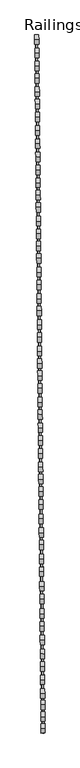
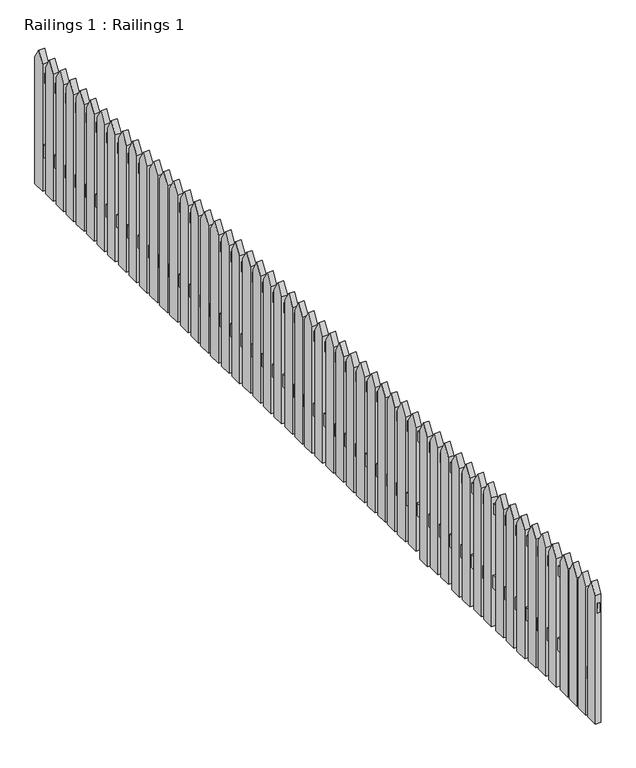
"""IFC4 building model written with IfcOpenShell, lengths in millimetres: railing geometry, Railings 1 : Railings 1."""

from ifc_helpers import new_model, si_unit, frame, origin, place, context, project, spatial, polyline, outline, extrude, source, transform, mapped, element, save


def railings_1_railings_1_c93a0744(model_context):
    return source(origin(), model_context, "Body", "SweptSolid", [
        extrude(outline(polyline([(0.0, -5447.0448144), (0.0, 0.0), (16.4964203, 0.0), (16.4964203, -5447.0448145), (0.0, -5447.0448144)])), frame((-32807.4456706, 57610.0910896, 108227.5959624), z_axis=(-7.934803674782353e-05, 0.008653490793528475, 0.9999625546994124), x_axis=(0.9999579629415489, 0.009169097544900936, 0.0)), (0.0, 0.0, 1.0), 76.7844315),
        extrude(outline(polyline([(-1e-07, -5464.4974055), (0.0, 0.0), (13.2249615, 0.0), (13.2249616, -5464.4974055), (-1e-07, -5464.4974055)])), frame((-32803.875912, 57597.3873123, 108679.6077958), z_axis=(-8.199758056208687e-05, 0.008942443160013025, 0.9999600121938511), x_axis=(0.9999579629415478, 0.009169097545024867, 0.0)), (0.0, 0.0, 1.0), 58.7537503),
        extrude(outline(polyline([(0.0, 0.0), (74.6912054, 0.0), (74.6912054, -777.4778185), (35.5672407, -840.3131584), (0.0, -775.9277211), (0.0, 0.0)])), frame((-32797.0634259, 55700.7710358, 108019.7391803), z_axis=(0.999957962941548, 0.009169097544998428, 0.0), x_axis=(0.009169097544998428, -0.999957962941548, 0.0)), (0.0, 0.0, 1.0), 32.2313179),
        extrude(outline(polyline([(179.2775039, -5.0), (179.2775039, -775.9277211), (143.7102632, -840.3131584), (104.5862984, -777.4778185), (104.5862984, -5.0), (179.2775039, -5.0)])), frame((-32797.0634259, 55700.7710358, 108019.7391803), z_axis=(0.999957962941548, 0.009169097544998428, 0.0), x_axis=(0.009169097544998428, -0.999957962941548, 0.0)), (0.0, 0.0, 1.0), 32.2313179),
        extrude(outline(polyline([(-29.5909941, 0.0), (-29.5909941, -775.9277211), (-65.1582349, -840.3131584), (-104.2821995, -777.4778185), (-104.2821995, 0.0), (-29.5909941, 0.0)])), frame((-32797.0634259, 55700.7710358, 108019.7391803), z_axis=(0.999957962941548, 0.009169097544998428, 0.0), x_axis=(0.009169097544998428, -0.999957962941548, 0.0)), (0.0, 0.0, 1.0), 32.2313179),
        extrude(outline(polyline([(-208.8684979, 0.0), (-134.1772925, 0.0), (-134.1772925, -777.4778185), (-173.3012573, -840.3131584), (-208.8684979, -775.9277211), (-208.8684979, 0.0)])), frame((-32797.0634259, 55700.7710358, 108019.7391803), z_axis=(0.999957962941548, 0.009169097544998428, 0.0), x_axis=(0.009169097544998428, -0.999957962941548, 0.0)), (0.0, 0.0, 1.0), 32.2313179),
        extrude(outline(polyline([(-431.7577701, -5.0), (-431.7577701, -775.9277211), (-467.3250108, -840.3131584), (-506.4489755, -777.4778185), (-506.4489755, -5.0), (-431.7577701, -5.0)])), frame((-32797.0634259, 55700.7710358, 108019.7391803), z_axis=(0.999957962941548, 0.009169097544998428, 0.0), x_axis=(0.009169097544998428, -0.999957962941548, 0.0)), (0.0, 0.0, 1.0), 32.2313179),
        extrude(outline(polyline([(-611.0352739, -5.0), (-536.3440685, -5.0), (-536.3440685, -777.4778185), (-575.4680333, -840.3131584), (-611.0352739, -775.9277211), (-611.0352739, -5.0)])), frame((-32797.0634259, 55700.7710358, 108019.7391803), z_axis=(0.999957962941548, 0.009169097544998428, 0.0), x_axis=(0.009169097544998428, -0.999957962941548, 0.0)), (0.0, 0.0, 1.0), 32.2313179),
        extrude(outline(polyline([(-402.1667759, -5.0), (-327.4755705, -5.0), (-327.4755705, -777.4778185), (-366.5995353, -840.3131584), (-402.1667759, -775.9277211), (-402.1667759, -5.0)])), frame((-32797.0634259, 55700.7710358, 108019.7391803), z_axis=(0.999957962941548, 0.009169097544998428, 0.0), x_axis=(0.009169097544998428, -0.999957962941548, 0.0)), (0.0, 0.0, 1.0), 32.2313179),
        extrude(outline(polyline([(-232.8892721, 0.0), (-232.8892721, -775.9277211), (-268.4565128, -840.3131584), (-307.5804776, -777.4778185), (-307.5804776, 0.0), (-232.8892721, 0.0)])), frame((-32797.0634259, 55700.7710358, 108019.7391803), z_axis=(0.999957962941548, 0.009169097544998428, 0.0), x_axis=(0.009169097544998428, -0.999957962941548, 0.0)), (0.0, 0.0, 1.0), 32.2313179),
        extrude(outline(polyline([(-635.2129228, -5.0), (-635.2129228, -775.9277211), (-670.7801634, -840.3131584), (-709.9041282, -777.4778185), (-709.9041282, -5.0), (-635.2129228, -5.0)])), frame((-32797.0634259, 55700.7710358, 108019.7391803), z_axis=(0.999957962941548, 0.009169097544998428, 0.0), x_axis=(0.009169097544998428, -0.999957962941548, 0.0)), (0.0, 0.0, 1.0), 32.2313179),
        extrude(outline(polyline([(383.5804318, -5.0), (383.5804318, -775.9277211), (348.0131912, -840.3131584), (308.8892264, -777.4778185), (308.8892264, -5.0), (383.5804318, -5.0)])), frame((-32797.0634259, 55700.7710358, 108019.7391803), z_axis=(0.999957962941548, 0.009169097544998428, 0.0), x_axis=(0.009169097544998428, -0.999957962941548, 0.0)), (0.0, 0.0, 1.0), 32.2313179),
        extrude(outline(polyline([(204.302928, -5.0), (278.9941334, -5.0), (278.9941334, -777.4778185), (239.8701687, -840.3131584), (204.302928, -775.9277211), (204.302928, -5.0)])), frame((-32797.0634259, 55700.7710358, 108019.7391803), z_axis=(0.999957962941548, 0.009169097544998428, 0.0), x_axis=(0.009169097544998428, -0.999957962941548, 0.0)), (0.0, 0.0, 1.0), 32.2313179),
        extrude(outline(polyline([(413.171426, -5.0), (487.8626314, -5.0), (487.8626314, -777.4778185), (448.7386667, -840.3131584), (413.171426, -775.9277211), (413.171426, -5.0)])), frame((-32797.0634259, 55700.7710358, 108019.7391803), z_axis=(0.999957962941548, 0.009169097544998428, 0.0), x_axis=(0.009169097544998428, -0.999957962941548, 0.0)), (0.0, 0.0, 1.0), 32.2313179),
        extrude(outline(polyline([(592.4489298, -5.0), (592.4489298, -775.9277211), (556.8816892, -840.3131584), (517.7577244, -777.4778185), (517.7577244, -5.0), (592.4489298, -5.0)])), frame((-32797.0634259, 55700.7710358, 108019.7391803), z_axis=(0.999957962941548, 0.009169097544998428, 0.0), x_axis=(0.009169097544998428, -0.999957962941548, 0.0)), (0.0, 0.0, 1.0), 32.2313179),
        extrude(outline(polyline([(815.338202, -10.0), (890.0294074, -10.0), (890.0294074, -777.4778185), (850.9054427, -840.3131584), (815.338202, -775.9277211), (815.338202, -10.0)])), frame((-32797.0634259, 55700.7710358, 108019.7391803), z_axis=(0.999957962941548, 0.009169097544998428, 0.0), x_axis=(0.009169097544998428, -0.999957962941548, 0.0)), (0.0, 0.0, 1.0), 32.2313179),
        extrude(outline(polyline([(994.6157058, -10.0), (994.6157058, -775.9277211), (959.0484652, -840.3131584), (919.9245004, -777.4778185), (919.9245004, -10.0), (994.6157058, -10.0)])), frame((-32797.0634259, 55700.7710358, 108019.7391803), z_axis=(0.999957962941548, 0.009169097544998428, 0.0), x_axis=(0.009169097544998428, -0.999957962941548, 0.0)), (0.0, 0.0, 1.0), 32.2313179),
        extrude(outline(polyline([(785.7472078, -5.0), (785.7472078, -775.9277211), (750.1799672, -840.3131584), (711.0560024, -777.4778185), (711.0560024, -5.0), (785.7472078, -5.0)])), frame((-32797.0634259, 55700.7710358, 108019.7391803), z_axis=(0.999957962941548, 0.009169097544998428, 0.0), x_axis=(0.009169097544998428, -0.999957962941548, 0.0)), (0.0, 0.0, 1.0), 32.2313179),
        extrude(outline(polyline([(616.469704, -5.0), (691.1609094, -5.0), (691.1609094, -777.4778185), (652.0369447, -840.3131584), (616.469704, -775.9277211), (616.469704, -5.0)])), frame((-32797.0634259, 55700.7710358, 108019.7391803), z_axis=(0.999957962941548, 0.009169097544998428, 0.0), x_axis=(0.009169097544998428, -0.999957962941548, 0.0)), (0.0, 0.0, 1.0), 32.2313179),
        extrude(outline(polyline([(1018.7933547, -15.0), (1093.4845601, -15.0), (1093.4845601, -777.4778185), (1054.3605953, -840.3131584), (1018.7933547, -775.9277211), (1018.7933547, -15.0)])), frame((-32797.0634259, 55700.7710358, 108019.7391803), z_axis=(0.999957962941548, 0.009169097544998428, 0.0), x_axis=(0.009169097544998428, -0.999957962941548, 0.0)), (0.0, 0.0, 1.0), 32.2313179),
        extrude(outline(polyline([(2872.1892707, -15.0), (2872.1892707, -795.9277211), (2836.6220299, -860.3131584), (2797.4980653, -797.4778185), (2797.4980653, -15.0), (2872.1892707, -15.0)])), frame((-32797.0634259, 55700.7710358, 108019.7391803), z_axis=(0.999957962941548, 0.009169097544998428, 0.0), x_axis=(0.009169097544998428, -0.999957962941548, 0.0)), (0.0, 0.0, 1.0), 32.2313179),
        extrude(outline(polyline([(2047.9117669, -15.0), (2122.6029723, -15.0), (2122.6029723, -787.4778185), (2083.4790075, -850.3131584), (2047.9117669, -785.9277211), (2047.9117669, -15.0)])), frame((-32797.0634259, 55700.7710358, 108019.7391803), z_axis=(0.999957962941548, 0.009169097544998428, 0.0), x_axis=(0.009169097544998428, -0.999957962941548, 0.0)), (0.0, 0.0, 1.0), 32.2313179),
        extrude(outline(polyline([(2906.7802648, -25.0), (2981.4714703, -25.0), (2981.4714703, -807.4778185), (2942.3475055, -870.3131584), (2906.7802648, -805.9277211), (2906.7802648, -25.0)])), frame((-32797.0634259, 55700.7710358, 108019.7391803), z_axis=(0.999957962941548, 0.009169097544998428, 0.0), x_axis=(0.009169097544998428, -0.999957962941548, 0.0)), (0.0, 0.0, 1.0), 32.2313179),
        extrude(outline(polyline([(3081.0577687, -35.0), (3081.0577687, -815.9277211), (3045.490528, -880.3131584), (3006.3665632, -817.4778185), (3006.3665632, -35.0), (3081.0577687, -35.0)])), frame((-32797.0634259, 55700.7710358, 108019.7391803), z_axis=(0.999957962941548, 0.009169097544998428, 0.0), x_axis=(0.009169097544998428, -0.999957962941548, 0.0)), (0.0, 0.0, 1.0), 32.2313179),
        extrude(outline(polyline([(3308.9470408, -35.0), (3383.6382462, -35.0), (3383.6382462, -817.4778185), (3344.5142815, -880.3131584), (3308.9470408, -815.9277211), (3308.9470408, -35.0)])), frame((-32797.0634259, 55700.7710358, 108019.7391803), z_axis=(0.999957962941548, 0.009169097544998428, 0.0), x_axis=(0.009169097544998428, -0.999957962941548, 0.0)), (0.0, 0.0, 1.0), 32.2313179),
        extrude(outline(polyline([(3473.2245446, -35.0), (3473.2245446, -815.9277211), (3437.657304, -880.3131584), (3398.5333392, -817.4778185), (3398.5333392, -35.0), (3473.2245446, -35.0)])), frame((-32797.0634259, 55700.7710358, 108019.7391803), z_axis=(0.999957962941548, 0.009169097544998428, 0.0), x_axis=(0.009169097544998428, -0.999957962941548, 0.0)), (0.0, 0.0, 1.0), 32.2313179),
        extrude(outline(polyline([(3294.3560466, -35.0), (3294.3560466, -815.9277211), (3258.788806, -880.3131584), (3219.6648412, -817.4778185), (3219.6648412, -35.0), (3294.3560466, -35.0)])), frame((-32797.0634259, 55700.7710358, 108019.7391803), z_axis=(0.999957962941548, 0.009169097544998428, 0.0), x_axis=(0.009169097544998428, -0.999957962941548, 0.0)), (0.0, 0.0, 1.0), 32.2313179),
        extrude(outline(polyline([(3110.0785429, -30.0), (3184.7697483, -30.0), (3184.7697483, -812.4778185), (3145.6457835, -875.3131584), (3110.0785429, -810.9277211), (3110.0785429, -30.0)])), frame((-32797.0634259, 55700.7710358, 108019.7391803), z_axis=(0.999957962941548, 0.009169097544998428, 0.0), x_axis=(0.009169097544998428, -0.999957962941548, 0.0)), (0.0, 0.0, 1.0), 32.2313179),
        extrude(outline(polyline([(3492.4021935, -35.0), (3567.0933989, -35.0), (3567.0933989, -817.4778185), (3527.9694342, -880.3131584), (3492.4021935, -815.9277211), (3492.4021935, -35.0)])), frame((-32797.0634259, 55700.7710358, 108019.7391803), z_axis=(0.999957962941548, 0.009169097544998428, 0.0), x_axis=(0.009169097544998428, -0.999957962941548, 0.0)), (0.0, 0.0, 1.0), 32.2313179),
        extrude(outline(polyline([(1843.6088389, 0.0), (1918.3000443, 0.0), (1918.3000443, -787.4778185), (1879.1760795, -850.3131584), (1843.6088389, -785.9277211), (1843.6088389, 0.0)])), frame((-32797.0634259, 55700.7710358, 108019.7391803), z_axis=(0.999957962941548, 0.009169097544998428, 0.0), x_axis=(0.009169097544998428, -0.999957962941548, 0.0)), (0.0, 0.0, 1.0), 32.2313179),
        extrude(outline(polyline([(2022.8863427, -15.0), (2022.8863427, -785.9277211), (1987.319102, -850.3131584), (1948.1951373, -787.4778185), (1948.1951373, -15.0), (2022.8863427, -15.0)])), frame((-32797.0634259, 55700.7710358, 108019.7391803), z_axis=(0.999957962941548, 0.009169097544998428, 0.0), x_axis=(0.009169097544998428, -0.999957962941548, 0.0)), (0.0, 0.0, 1.0), 32.2313179),
        extrude(outline(polyline([(1804.0178447, -25.0), (1804.0178447, -775.9277211), (1768.450604, -840.3131584), (1729.3266393, -777.4778185), (1729.3266393, -25.0), (1804.0178447, -25.0)])), frame((-32797.0634259, 55700.7710358, 108019.7391803), z_axis=(0.999957962941548, 0.009169097544998428, 0.0), x_axis=(0.009169097544998428, -0.999957962941548, 0.0)), (0.0, 0.0, 1.0), 32.2313179),
        extrude(outline(polyline([(1624.7403409, -20.0), (1699.4315463, -20.0), (1699.4315463, -777.4778185), (1660.3075815, -840.3131584), (1624.7403409, -775.9277211), (1624.7403409, -20.0)])), frame((-32797.0634259, 55700.7710358, 108019.7391803), z_axis=(0.999957962941548, 0.009169097544998428, 0.0), x_axis=(0.009169097544998428, -0.999957962941548, 0.0)), (0.0, 0.0, 1.0), 32.2313179),
        extrude(outline(polyline([(1401.8510687, -15.0), (1401.8510687, -775.9277211), (1366.2838281, -840.3131584), (1327.1598633, -777.4778185), (1327.1598633, -15.0), (1401.8510687, -15.0)])), frame((-32797.0634259, 55700.7710358, 108019.7391803), z_axis=(0.999957962941548, 0.009169097544998428, 0.0), x_axis=(0.009169097544998428, -0.999957962941548, 0.0)), (0.0, 0.0, 1.0), 32.2313179),
        extrude(outline(polyline([(1222.5735649, -15.0), (1297.2647703, -15.0), (1297.2647703, -777.4778185), (1258.1408055, -840.3131584), (1222.5735649, -775.9277211), (1222.5735649, -15.0)])), frame((-32797.0634259, 55700.7710358, 108019.7391803), z_axis=(0.999957962941548, 0.009169097544998428, 0.0), x_axis=(0.009169097544998428, -0.999957962941548, 0.0)), (0.0, 0.0, 1.0), 32.2313179),
        extrude(outline(polyline([(1431.4420629, -20.0), (1506.1332683, -20.0), (1506.1332683, -777.4778185), (1467.0093036, -840.3131584), (1431.4420629, -775.9277211), (1431.4420629, -20.0)])), frame((-32797.0634259, 55700.7710358, 108019.7391803), z_axis=(0.999957962941548, 0.009169097544998428, 0.0), x_axis=(0.009169097544998428, -0.999957962941548, 0.0)), (0.0, 0.0, 1.0), 32.2313179),
        extrude(outline(polyline([(1600.7195667, -20.0), (1600.7195667, -775.9277211), (1565.152326, -840.3131584), (1526.0283612, -777.4778185), (1526.0283612, -20.0), (1600.7195667, -20.0)])), frame((-32797.0634259, 55700.7710358, 108019.7391803), z_axis=(0.999957962941548, 0.009169097544998428, 0.0), x_axis=(0.009169097544998428, -0.999957962941548, 0.0)), (0.0, 0.0, 1.0), 32.2313179),
        extrude(outline(polyline([(1198.395916, -15.0), (1198.395916, -775.9277211), (1162.8286754, -840.3131584), (1123.7047106, -777.4778185), (1123.7047106, -15.0), (1198.395916, -15.0)])), frame((-32797.0634259, 55700.7710358, 108019.7391803), z_axis=(0.999957962941548, 0.009169097544998428, 0.0), x_axis=(0.009169097544998428, -0.999957962941548, 0.0)), (0.0, 0.0, 1.0), 32.2313179),
        extrude(outline(polyline([(2447.9293882, -15.0), (2447.9293882, -795.9277211), (2412.3621475, -860.3131584), (2373.2381828, -797.4778185), (2373.2381828, -15.0), (2447.9293882, -15.0)])), frame((-32797.0634259, 55700.7710358, 108019.7391803), z_axis=(0.999957962941548, 0.009169097544998428, 0.0), x_axis=(0.009169097544998428, -0.999957962941548, 0.0)), (0.0, 0.0, 1.0), 32.2313179),
        extrude(outline(polyline([(2662.2323162, -15.0), (2662.2323162, -795.9277211), (2626.6650755, -860.3131584), (2587.5411108, -797.4778185), (2587.5411108, -15.0), (2662.2323162, -15.0)])), frame((-32797.0634259, 55700.7710358, 108019.7391803), z_axis=(0.999957962941548, 0.009169097544998428, 0.0), x_axis=(0.009169097544998428, -0.999957962941548, 0.0)), (0.0, 0.0, 1.0), 32.2313179),
        extrude(outline(polyline([(2472.9548123, -15.0), (2547.6460177, -15.0), (2547.6460177, -797.4778185), (2508.522053, -860.3131584), (2472.9548123, -795.9277211), (2472.9548123, -15.0)])), frame((-32797.0634259, 55700.7710358, 108019.7391803), z_axis=(0.999957962941548, 0.009169097544998428, 0.0), x_axis=(0.009169097544998428, -0.999957962941548, 0.0)), (0.0, 0.0, 1.0), 32.2313179),
        extrude(outline(polyline([(2691.8233103, -15.0), (2766.5145157, -15.0), (2766.5145157, -797.4778185), (2727.3905511, -860.3131584), (2691.8233103, -795.9277211), (2691.8233103, -15.0)])), frame((-32797.0634259, 55700.7710358, 108019.7391803), z_axis=(0.999957962941548, 0.009169097544998428, 0.0), x_axis=(0.009169097544998428, -0.999957962941548, 0.0)), (0.0, 0.0, 1.0), 32.2313179),
        extrude(outline(polyline([(2233.4966288, -5.0), (2233.4966288, -785.9277211), (2197.9293882, -850.3131584), (2158.8054234, -787.4778185), (2158.8054234, -5.0), (2233.4966288, -5.0)])), frame((-32797.0634259, 55700.7710358, 108019.7391803), z_axis=(0.999957962941548, 0.009169097544998428, 0.0), x_axis=(0.009169097544998428, -0.999957962941548, 0.0)), (0.0, 0.0, 1.0), 32.2313179),
        extrude(outline(polyline([(2258.522053, -5.0), (2333.2132584, -5.0), (2333.2132584, -787.4778185), (2294.0892937, -850.3131584), (2258.522053, -785.9277211), (2258.522053, -5.0)])), frame((-32797.0634259, 55700.7710358, 108019.7391803), z_axis=(0.999957962941548, 0.009169097544998428, 0.0), x_axis=(0.009169097544998428, -0.999957962941548, 0.0)), (0.0, 0.0, 1.0), 32.2313179),
        extrude(outline(polyline([(-1010.9918636, -5.0), (-936.3006582, -5.0), (-936.3006582, -777.4778185), (-975.4246229, -840.3131584), (-1010.9918636, -775.9277211), (-1010.9918636, -5.0)])), frame((-32797.0634259, 55700.7710358, 108019.7391803), z_axis=(0.999957962941548, 0.009169097544998428, 0.0), x_axis=(0.009169097544998428, -0.999957962941548, 0.0)), (0.0, 0.0, 1.0), 32.2313179),
        extrude(outline(polyline([(-831.7143597, -5.0), (-831.7143597, -775.9277211), (-867.2816005, -840.3131584), (-906.4055652, -777.4778185), (-906.4055652, -5.0), (-831.7143597, -5.0)])), frame((-32797.0634259, 55700.7710358, 108019.7391803), z_axis=(0.999957962941548, 0.009169097544998428, 0.0), x_axis=(0.009169097544998428, -0.999957962941548, 0.0)), (0.0, 0.0, 1.0), 32.2313179),
        extrude(outline(polyline([(-1040.5828577, -5.0), (-1040.5828577, -775.9277211), (-1076.1500985, -840.3131584), (-1115.2740631, -777.4778185), (-1115.2740631, -5.0), (-1040.5828577, -5.0)])), frame((-32797.0634259, 55700.7710358, 108019.7391803), z_axis=(0.999957962941548, 0.009169097544998428, 0.0), x_axis=(0.009169097544998428, -0.999957962941548, 0.0)), (0.0, 0.0, 1.0), 32.2313179),
        extrude(outline(polyline([(-807.536711, -5.0), (-732.8455055, -5.0), (-732.8455055, -777.4778185), (-771.9694702, -840.3131584), (-807.536711, -775.9277211), (-807.536711, -5.0)])), frame((-32797.0634259, 55700.7710358, 108019.7391803), z_axis=(0.999957962941548, 0.009169097544998428, 0.0), x_axis=(0.009169097544998428, -0.999957962941548, 0.0)), (0.0, 0.0, 1.0), 32.2313179),
        extrude(outline(polyline([(-1249.6795422, -5.0), (-1249.6795422, -775.9277211), (-1285.2467829, -840.3131584), (-1324.3707477, -777.4778185), (-1324.3707477, -5.0), (-1249.6795422, -5.0)])), frame((-32797.0634259, 55700.7710358, 108019.7391803), z_axis=(0.999957962941548, 0.009169097544998428, 0.0), x_axis=(0.009169097544998428, -0.999957962941548, 0.0)), (0.0, 0.0, 1.0), 32.2313179),
        extrude(outline(polyline([(-1428.9570461, -5.0), (-1354.2658407, -5.0), (-1354.2658407, -777.4778185), (-1393.3898053, -840.3131584), (-1428.9570461, -775.9277211), (-1428.9570461, -5.0)])), frame((-32797.0634259, 55700.7710358, 108019.7391803), z_axis=(0.999957962941548, 0.009169097544998428, 0.0), x_axis=(0.009169097544998428, -0.999957962941548, 0.0)), (0.0, 0.0, 1.0), 32.2313179),
        extrude(outline(polyline([(-1220.088548, -5.0), (-1145.3973426, -5.0), (-1145.3973426, -777.4778185), (-1184.5213074, -840.3131584), (-1220.088548, -775.9277211), (-1220.088548, -5.0)])), frame((-32797.0634259, 55700.7710358, 108019.7391803), z_axis=(0.999957962941548, 0.009169097544998428, 0.0), x_axis=(0.009169097544998428, -0.999957962941548, 0.0)), (0.0, 0.0, 1.0), 32.2313179),
        extrude(outline(polyline([(-1453.1346949, -5.0), (-1453.1346949, -775.9277211), (-1488.7019356, -840.3131584), (-1527.8259003, -777.4778185), (-1527.8259003, -5.0), (-1453.1346949, -5.0)])), frame((-32797.0634259, 55700.7710358, 108019.7391803), z_axis=(0.999957962941548, 0.009169097544998428, 0.0), x_axis=(0.009169097544998428, -0.999957962941548, 0.0)), (0.0, 0.0, 1.0), 32.2313179),
        extrude(outline(polyline([(-1831.2021304, -5.0), (-1756.510925, -5.0), (-1756.510925, -777.4778185), (-1795.6348897, -840.3131584), (-1831.2021304, -775.9277211), (-1831.2021304, -5.0)])), frame((-32797.0634259, 55700.7710358, 108019.7391803), z_axis=(0.999957962941548, 0.009169097544998428, 0.0), x_axis=(0.009169097544998428, -0.999957962941548, 0.0)), (0.0, 0.0, 1.0), 32.2313179),
        extrude(outline(polyline([(-1651.9246266, -5.0), (-1651.9246266, -775.9277211), (-1687.4918672, -840.3131584), (-1726.615832, -777.4778185), (-1726.615832, -5.0), (-1651.9246266, -5.0)])), frame((-32797.0634259, 55700.7710358, 108019.7391803), z_axis=(0.999957962941548, 0.009169097544998428, 0.0), x_axis=(0.009169097544998428, -0.999957962941548, 0.0)), (0.0, 0.0, 1.0), 32.2313179),
        extrude(outline(polyline([(-1860.7931246, -5.0), (-1860.7931246, -775.9277211), (-1896.3603652, -840.3131584), (-1935.48433, -777.4778185), (-1935.48433, -5.0), (-1860.7931246, -5.0)])), frame((-32797.0634259, 55700.7710358, 108019.7391803), z_axis=(0.999957962941548, 0.009169097544998428, 0.0), x_axis=(0.009169097544998428, -0.999957962941548, 0.0)), (0.0, 0.0, 1.0), 32.2313179),
        extrude(outline(polyline([(-1627.7469777, -5.0), (-1553.0557723, -5.0), (-1553.0557723, -777.4778185), (-1592.1797371, -840.3131584), (-1627.7469777, -775.9277211), (-1627.7469777, -5.0)])), frame((-32797.0634259, 55700.7710358, 108019.7391803), z_axis=(0.999957962941548, 0.009169097544998428, 0.0), x_axis=(0.009169097544998428, -0.999957962941548, 0.0)), (0.0, 0.0, 1.0), 32.2313179),
    ])


if __name__ == "__main__":
    model = new_model("IFC4")
    model_context = context("Model", 3, world=origin())
    ifc_project = project(units=[si_unit("LENGTHUNIT", "METRE", prefix="MILLI")], contexts=[model_context])
    site = spatial("IfcSite", under=ifc_project)
    building = spatial("IfcBuilding", under=site)
    placement = place(None, origin())
    railings_1_railings_1_shape = railings_1_railings_1_c93a0744(model_context)
    element("IfcRailing", 1, ObjectType="Railings 1 : Railings 1", at=placement, inside=building, context=model_context, shape_type="MappedRepresentation", body=[
        mapped(railings_1_railings_1_shape, transform((0.0, 0.0, 0.0), x_axis=(1.0, 0.0, 0.0), y_axis=(0.0, 1.0, 0.0), z_axis=(0.0, 0.0, 1.0))),
    ])
    save(model, "model.ifc")
